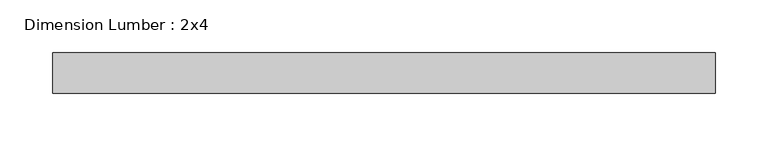
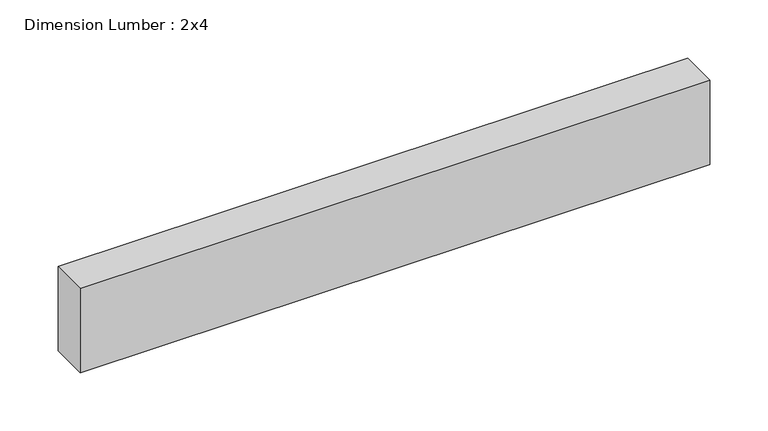
"""IFC4 building model written with IfcOpenShell, lengths in millimetres: beam geometry, Dimension Lumber : 2x4."""

from ifc_helpers import new_model, si_unit, frame, origin, place, context, project, spatial, polyline, outline, extrude, source, transform, mapped, element, save


def dimension_lumber_2x4_2e4fe6b4(model_context):
    return source(origin(), model_context, "Body", "SweptSolid", [
        extrude(outline(polyline([(300.4683977, 19.05), (300.4683977, -19.05), (-326.0709032, -19.05), (-326.0709032, 19.05), (300.4683977, 19.05)])), frame((0.0, 0.0, -44.45), z_axis=(0.0, 0.0, 1.0), x_axis=(1.0, 0.0, 0.0)), (0.0, 0.0, 1.0), 88.9),
    ])


if __name__ == "__main__":
    model = new_model("IFC4")
    model_context = context("Model", 3, world=origin())
    ifc_project = project(units=[si_unit("LENGTHUNIT", "METRE", prefix="MILLI")], contexts=[model_context])
    site = spatial("IfcSite", under=ifc_project)
    building = spatial("IfcBuilding", under=site)
    placement = place(None, origin())
    dimension_lumber_2x4_shape = dimension_lumber_2x4_2e4fe6b4(model_context)
    element("IfcBeam", 1, ObjectType="Dimension Lumber : 2x4", at=placement, inside=building, context=model_context, shape_type="MappedRepresentation", body=[
        mapped(dimension_lumber_2x4_shape, transform((0.0, 0.0, 0.0), x_axis=(1.0, 0.0, 0.0), y_axis=(0.0, 1.0, 0.0), z_axis=(0.0, 0.0, 1.0))),
    ])
    save(model, "model.ifc")
